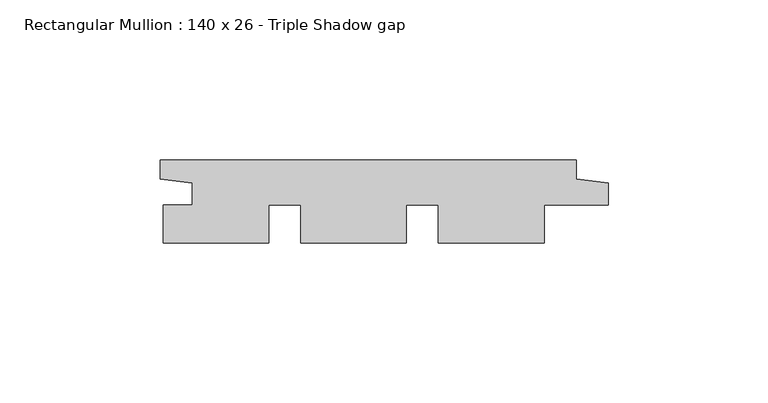
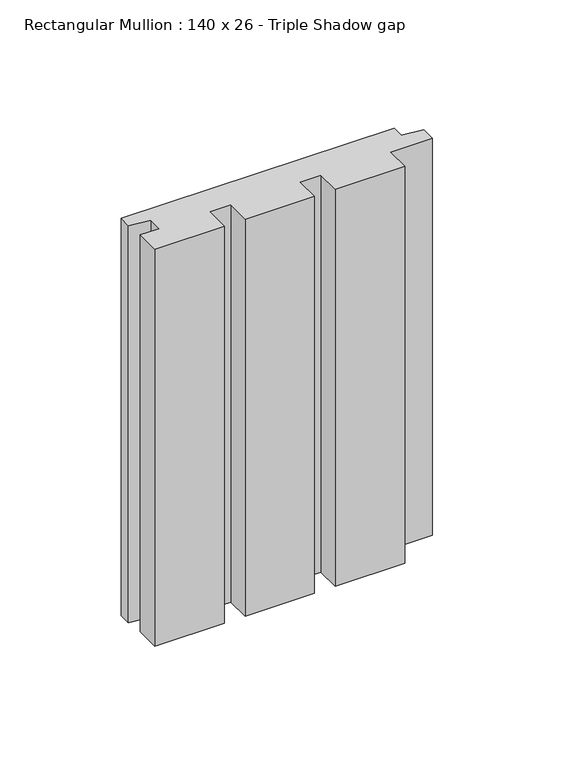
"""IFC4 building model written with IfcOpenShell, lengths in millimetres: member geometry, Rectangular Mullion : 140 x 26 - Triple Shadow gap."""

from ifc_helpers import new_model, si_unit, frame, origin, place, context, project, spatial, polyline, outline, extrude, source, transform, mapped, element, save


def rectangular_mullion_140_x_26_triple_shadow_gap_90a6a05d(model_context):
    return source(origin(), model_context, "Body", "SweptSolid", [
        extrude(outline(polyline([(-140.0, -6.0), (-140.0, 0.0), (-10.0, 0.0), (-10.0, -6.0), (0.0, -7.2278456), (0.0, -14.1804285), (-20.0, -14.1804285), (-20.0, -26.0), (-53.0, -26.0), (-53.0, -14.1804285), (-63.0, -14.1804285), (-63.0, -26.0), (-96.0, -26.0), (-96.0, -14.1804285), (-106.0, -14.1804285), (-106.0, -26.0), (-139.0, -26.0), (-139.0, -14.1804285), (-130.0, -14.1804285), (-130.0, -7.2278456), (-140.0, -6.0)])), frame((0.0, 0.0, -200.0), z_axis=(0.0, 0.0, 1.0), x_axis=(1.0, 0.0, 0.0)), (0.0, 0.0, 1.0), 200.0),
    ])


if __name__ == "__main__":
    model = new_model("IFC4")
    model_context = context("Model", 3, world=origin())
    ifc_project = project(units=[si_unit("LENGTHUNIT", "METRE", prefix="MILLI")], contexts=[model_context])
    site = spatial("IfcSite", under=ifc_project)
    building = spatial("IfcBuilding", under=site)
    placement = place(None, origin())
    rectangular_mullion_140_x_26_triple_shadow_gap_shape = rectangular_mullion_140_x_26_triple_shadow_gap_90a6a05d(model_context)
    element("IfcMember", 1, ObjectType="Rectangular Mullion : 140 x 26 - Triple Shadow gap", at=placement, inside=building, context=model_context, shape_type="MappedRepresentation", body=[
        mapped(rectangular_mullion_140_x_26_triple_shadow_gap_shape, transform((0.0, 0.0, 0.0), x_axis=(1.0, 0.0, 0.0), y_axis=(0.0, 1.0, 0.0), z_axis=(0.0, 0.0, 1.0))),
    ])
    save(model, "model.ifc")
